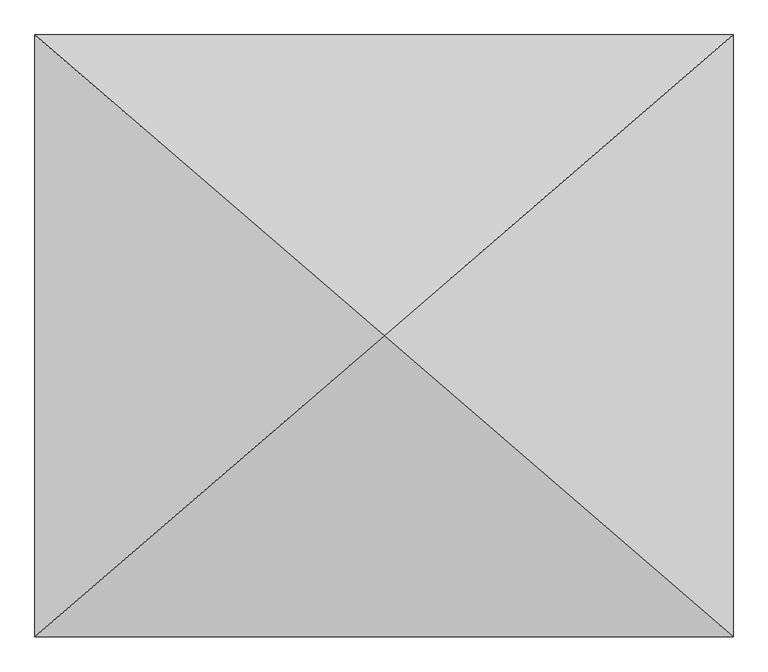
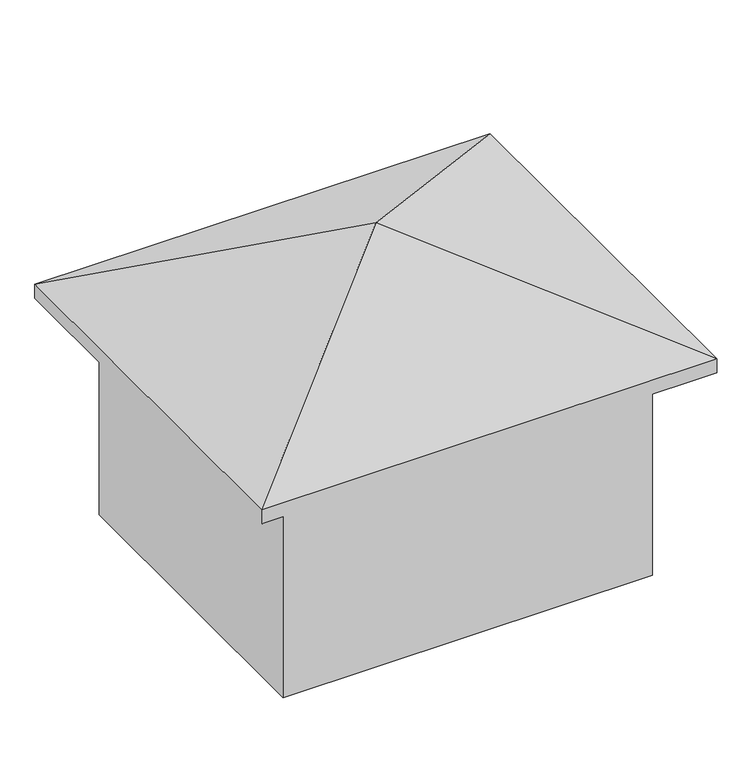
"""IFC4 building model written with IfcOpenShell, lengths in millimetres: geographic element geometry."""

from ifc_helpers import new_model, si_unit, origin, place, context, project, spatial, triangles, source, transform, mapped, element, save


def geographic_element_e0457328(model_context):
    return source(origin(), model_context, "Body", "Tessellation", [
        triangles([(4248.2749924, 3661.7474213, 6352.2227325), (0.0, 7323.4948425, 4406.2650581), (0.0, 0.0, 4406.2650581), (8496.5499847, 7323.4948425, 4406.2650581), (8496.5499847, 0.0, 4406.2650581), (8496.5499847, 7323.4948425, 4131.9448837), (0.0, 0.0, 4131.9448837), (0.0, 7323.4948425, 4131.9448837), (8496.5499847, 0.0, 4131.9448837), (7697.3644638, 6634.6467728, 0.0), (799.1855936, 688.8479971, 0.0), (799.1855936, 6634.6467728, 0.0), (7697.3644638, 688.8479971, 0.0), (7697.3644638, 688.8479971, 4406.2650581), (799.1855936, 688.8479971, 4406.2650581), (7697.3644638, 6634.6467728, 4406.2650581), (799.1855936, 6634.6467728, 4406.2650581)], [[1, 2, 3], [4, 2, 1], [5, 1, 3], [4, 1, 5], [6, 7, 8], [7, 6, 9], [2, 7, 3], [7, 2, 8], [2, 6, 8], [6, 2, 4], [6, 5, 9], [5, 6, 4], [5, 7, 9], [7, 5, 3], [10, 11, 12], [11, 10, 13], [14, 11, 13], [11, 14, 15], [10, 14, 13], [14, 10, 16], [17, 10, 12], [10, 17, 16], [17, 11, 15], [11, 17, 12], [14, 17, 15], [17, 14, 16]]),
    ])


if __name__ == "__main__":
    model = new_model("IFC4")
    model_context = context("Model", 3, world=origin())
    ifc_project = project(units=[si_unit("LENGTHUNIT", "METRE", prefix="MILLI")], contexts=[model_context])
    site = spatial("IfcSite", under=ifc_project)
    building = spatial("IfcBuilding", under=site)
    placement = place(None, origin())
    geographic_element_shape = geographic_element_e0457328(model_context)
    element("IfcGeographicElement", 1, at=placement, inside=building, context=model_context, shape_type="MappedRepresentation", body=[
        mapped(geographic_element_shape, transform((0.0, 0.0, 0.0), x_axis=(1.0, 0.0, 0.0), y_axis=(0.0, 1.0, 0.0), z_axis=(0.0, 0.0, 1.0))),
    ])
    save(model, "model.ifc")
